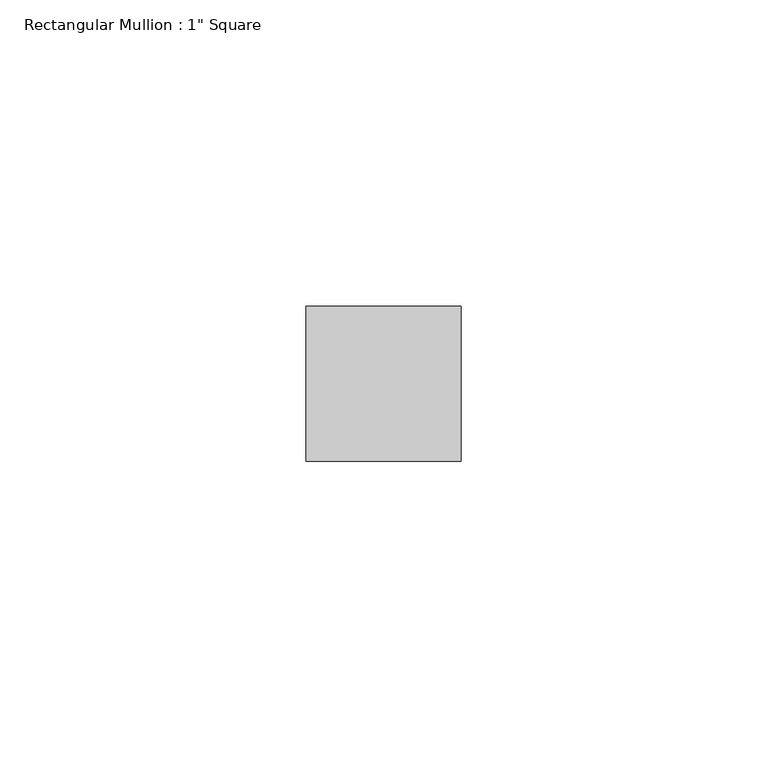
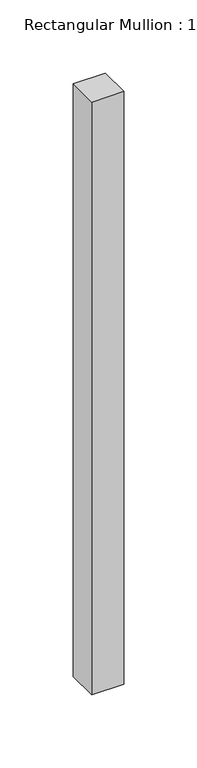
"""IFC4 building model written with IfcOpenShell, lengths in millimetres: member geometry."""

from ifc_helpers import new_model, si_unit, frame, origin, place, context, project, spatial, polyline, outline, extrude, source, transform, mapped, element, save


def member_5bff562c(model_context):
    return source(origin(), model_context, "Body", "SweptSolid", [
        extrude(outline(polyline([(0.0, 12.7), (0.0, -12.7), (-25.4, -12.7), (-25.4, 12.7), (0.0, 12.7)])), frame((0.0, 0.0, -495.3), z_axis=(0.0, 0.0, 1.0), x_axis=(1.0, 0.0, 0.0)), (0.0, 0.0, 1.0), 495.3),
    ])


if __name__ == "__main__":
    model = new_model("IFC4")
    model_context = context("Model", 3, world=origin())
    ifc_project = project(units=[si_unit("LENGTHUNIT", "METRE", prefix="MILLI")], contexts=[model_context])
    site = spatial("IfcSite", under=ifc_project)
    building = spatial("IfcBuilding", under=site)
    placement = place(None, origin())
    member_shape = member_5bff562c(model_context)
    element("IfcMember", 1, ObjectType="Rectangular Mullion : 1\" Square", at=placement, inside=building, context=model_context, shape_type="MappedRepresentation", body=[
        mapped(member_shape, transform((0.0, 0.0, 0.0), x_axis=(1.0, 0.0, 0.0), y_axis=(0.0, 1.0, 0.0), z_axis=(0.0, 0.0, 1.0))),
    ])
    save(model, "model.ifc")
